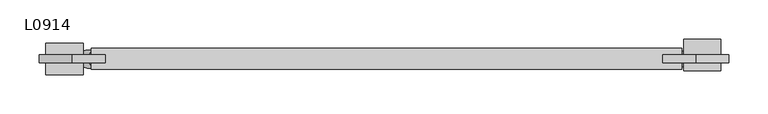
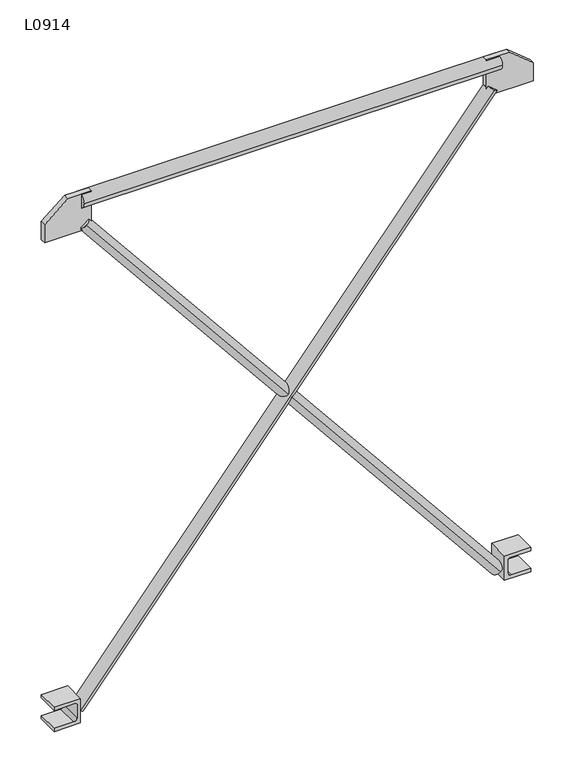
"""IFC4 building model written with IfcOpenShell, lengths in millimetres: proxy geometry, L0914."""

from ifc_helpers import new_model, si_unit, point, frame, frame_2d, origin, place, context, project, spatial, polyline, circle_curve, trimmed, segment, composite_curve, outline, extrude, source, transform, mapped, element, save


def l0914_60156bb3(model_context):
    return source(origin(), model_context, "Body", "SweptSolid", [
        extrude(outline(polyline([(0.0, 97.948117), (69.6, 97.948117), (69.6, 55.848117), (34.8, 13.748117), (0.0, 13.748117), (0.0, 97.948117)])), frame((0.0, -5.0, 0.0), z_axis=(0.0, 1.0, 0.0), x_axis=(0.0, 0.0, 1.0)), (0.0, 0.0, 1.0), 10.0),
        extrude(outline(composite_curve([segment(polyline([(-925.0, 22.28005), (-925.0, 69.8), (-879.0, 69.8), (-879.0, 22.28005), (-885.0, 22.28005), (-885.0, 60.8)]), True, "CONTINUOUS"), segment(trimmed(circle_curve(frame_2d((-888.0, 60.8)), 3.0), [point((-885.0, 60.8))], [point((-888.0, 63.8))], True, "CARTESIAN"), True, "CONTINUOUS"), segment(polyline([(-888.0, 63.8), (-913.0, 63.8)]), True, "CONTINUOUS"), segment(trimmed(circle_curve(frame_2d((-913.0, 57.8)), 6.0), [point((-913.0, 63.8))], [point((-919.0, 57.8))], True, "CARTESIAN"), True, "CONTINUOUS"), segment(polyline([(-919.0, 57.8), (-919.0, 22.28005), (-925.0, 22.28005)]), True, "CONTINUOUS")], self_intersect=False)), frame((0.0, -20.0, 0.0), z_axis=(0.0, 1.0, 0.0), x_axis=(0.0, 0.0, 1.0)), (0.0, 0.0, 1.0), 40.0),
        extrude(outline(polyline([(0.0, 810.25424), (0.0, 894.45424), (34.8, 894.45424), (69.6, 852.35424), (69.6, 810.25424), (0.0, 810.25424)])), frame((0.0, -5.0, 0.0), z_axis=(0.0, 1.0, 0.0), x_axis=(0.0, 0.0, 1.0)), (0.0, 0.0, 1.0), 10.0),
        extrude(outline(composite_curve([segment(polyline([(-925.0, 884.421064), (-919.0, 884.421064), (-919.0, 848.901114)]), True, "CONTINUOUS"), segment(trimmed(circle_curve(frame_2d((-913.0, 848.901114)), 6.0), [point((-919.0, 848.901114))], [point((-913.0, 842.901114))], True, "CARTESIAN"), True, "CONTINUOUS"), segment(polyline([(-913.0, 842.901114), (-888.0, 842.901114)]), True, "CONTINUOUS"), segment(trimmed(circle_curve(frame_2d((-888.0, 845.901114)), 3.0), [point((-888.0, 842.901114))], [point((-885.0, 845.901114))], True, "CARTESIAN"), True, "CONTINUOUS"), segment(polyline([(-885.0, 845.901114), (-885.0, 884.421064), (-879.0, 884.421064), (-879.0, 836.901114), (-925.0, 836.901114), (-925.0, 884.421064)]), True, "CONTINUOUS")], self_intersect=False)), frame((0.0, -15.0, 0.0), z_axis=(0.0, 1.0, 0.0), x_axis=(0.0, 0.0, 1.0)), (0.0, 0.0, 1.0), 40.0),
        extrude(outline(composite_curve([segment(trimmed(circle_curve(frame_2d((0.0, -11.5415409)), 11.541541), [point((0.0, -23.0830819))], [point((0.0, 0.0))], False, "CARTESIAN"), True, "CONTINUOUS"), segment(trimmed(circle_curve(frame_2d((0.0, -11.5415409)), 11.541541), [point((0.0, 0.0))], [point((0.0, -23.0830819))], False, "CARTESIAN"), True, "CONTINUOUS")], self_intersect=False)), frame((74.9102033, -11.8584525, -908.4316853), z_axis=(0.6294166469236909, 0.0, 0.7770680051162433), x_axis=(-0.7770680051162433, 0.0, 0.6294166469236909)), (0.0, 0.0, 1.0), 1185.2244513),
        extrude(outline(composite_curve([segment(trimmed(circle_curve(frame_2d((0.0, -11.3)), 11.3), [point((0.0, -22.6))], [point((0.0, 0.0))], False, "CARTESIAN"), True, "CONTINUOUS"), segment(trimmed(circle_curve(frame_2d((0.0, -11.3)), 11.3), [point((0.0, 0.0))], [point((0.0, -22.6))], False, "CARTESIAN"), True, "CONTINUOUS")], self_intersect=False)), frame((831.6986159, -11.3, -909.3300534), z_axis=(-0.6294166469236886, 0.0, 0.7770680051162452), x_axis=(-0.7770680051162452, 0.0, -0.6294166469236886)), (0.0, 0.0, 1.0), 1185.2244513),
        extrude(outline(composite_curve([segment(trimmed(circle_curve(frame_2d((0.0, 56.0)), 13.6), [point((-13.6, 56.0))], [point((13.6, 56.0))], False, "CARTESIAN"), True, "CONTINUOUS"), segment(trimmed(circle_curve(frame_2d((0.0, 56.0)), 13.6), [point((13.6, 56.0))], [point((-13.6, 56.0))], False, "CARTESIAN"), True, "CONTINUOUS")], self_intersect=False)), frame((80.0, 0.0, 0.0), z_axis=(1.0, 0.0, 0.0), x_axis=(0.0, 1.0, 0.0)), (0.0, 0.0, 1.0), 754.0),
    ])


if __name__ == "__main__":
    model = new_model("IFC4")
    model_context = context("Model", 3, world=origin())
    ifc_project = project(units=[si_unit("LENGTHUNIT", "METRE", prefix="MILLI")], contexts=[model_context])
    site = spatial("IfcSite", under=ifc_project)
    building = spatial("IfcBuilding", under=site)
    placement = place(None, origin())
    l0914_shape = l0914_60156bb3(model_context)
    element("IfcBuildingElementProxy", 1, Name="L0914", ObjectType="L0914", at=placement, inside=building, context=model_context, shape_type="MappedRepresentation", body=[
        mapped(l0914_shape, transform((0.0, 0.0, 0.0), x_axis=(1.0, 0.0, 0.0), y_axis=(0.0, 1.0, 0.0), z_axis=(0.0, 0.0, 1.0))),
    ])
    save(model, "model.ifc")
